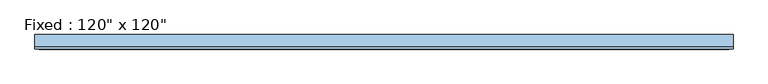
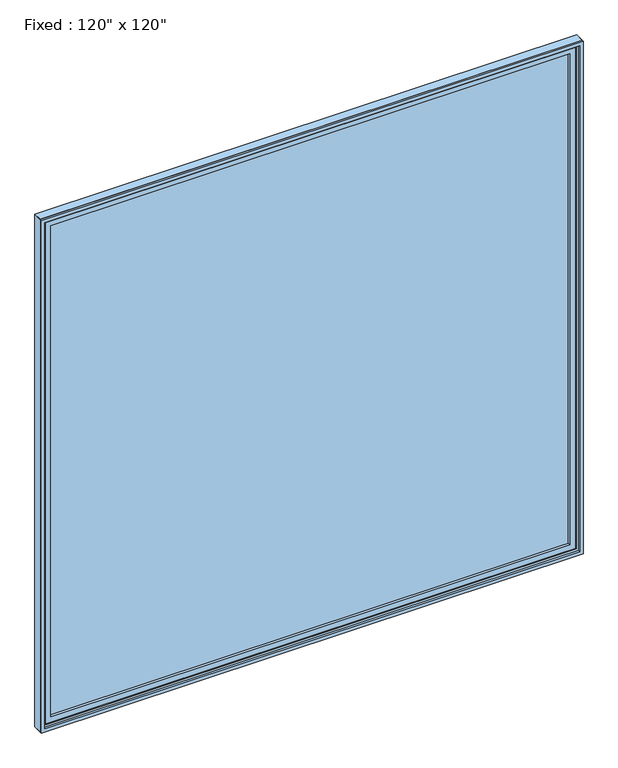
"""IFC4 building model written with IfcOpenShell, lengths in millimetres: window geometry."""

from ifc_helpers import new_model, si_unit, frame, origin, place, context, project, spatial, polyline, outline, extrude, source, transform, mapped, element, save


def window_849978b2(model_context):
    return source(origin(), model_context, "Body", "SweptSolid", [
        extrude(outline(polyline([(1422.4, 41.275), (1422.4, 28.575), (-1498.6, 28.575), (-1498.6, 41.275), (1422.4, 41.275)])), frame((0.0, 0.0, 368.3), z_axis=(0.0, 0.0, 1.0), x_axis=(1.0, 0.0, 0.0)), (0.0, 0.0, 1.0), 2921.0),
        extrude(outline(polyline([(3333.75, -1543.05), (323.85, -1543.05), (323.85, 1466.85), (3333.75, 1466.85), (3333.75, -1543.05)]), holes=[polyline([(3289.3, -1498.6), (3289.3, 1422.4), (368.3, 1422.4), (368.3, -1498.6), (3289.3, -1498.6)])]), frame((0.0, 12.7, 0.0), z_axis=(0.0, 1.0, 0.0), x_axis=(0.0, 0.0, 1.0)), (0.0, 0.0, 1.0), 44.45),
        extrude(outline(polyline([(3352.8, -1562.1), (304.8, -1562.1), (304.8, 1485.9), (3352.8, 1485.9), (3352.8, -1562.1)]), holes=[polyline([(3321.05, -1530.35), (3321.05, 1454.15), (336.55, 1454.15), (336.55, -1530.35), (3321.05, -1530.35)])]), frame((0.0, 6.35, 0.0), z_axis=(0.0, 1.0, 0.0), x_axis=(0.0, 0.0, 1.0)), (0.0, 0.0, 1.0), 50.8),
        extrude(outline(polyline([(3352.8, 1485.9), (3352.8, -1562.1), (304.8, -1562.1), (304.8, 1485.9), (3352.8, 1485.9)]), holes=[polyline([(3333.75, 1466.85), (323.85, 1466.85), (323.85, -1543.05), (3333.75, -1543.05), (3333.75, 1466.85)])]), frame((0.0, -6.35, 0.0), z_axis=(0.0, 1.0, 0.0), x_axis=(0.0, 0.0, 1.0)), (0.0, 0.0, 1.0), 63.5),
    ])


if __name__ == "__main__":
    model = new_model("IFC4")
    model_context = context("Model", 3, world=origin())
    ifc_project = project(units=[si_unit("LENGTHUNIT", "METRE", prefix="MILLI")], contexts=[model_context])
    site = spatial("IfcSite", under=ifc_project)
    building = spatial("IfcBuilding", under=site)
    placement = place(None, origin())
    window_shape = window_849978b2(model_context)
    element("IfcWindow", 1, ObjectType="Fixed : 120\" x 120\"", at=placement, inside=building, context=model_context, shape_type="MappedRepresentation", body=[
        mapped(window_shape, transform((0.0, 0.0, 0.0), x_axis=(1.0, 0.0, 0.0), y_axis=(0.0, 1.0, 0.0), z_axis=(0.0, 0.0, 1.0))),
    ])
    save(model, "model.ifc")
